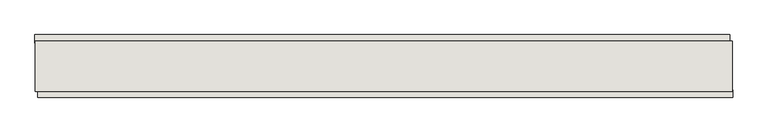
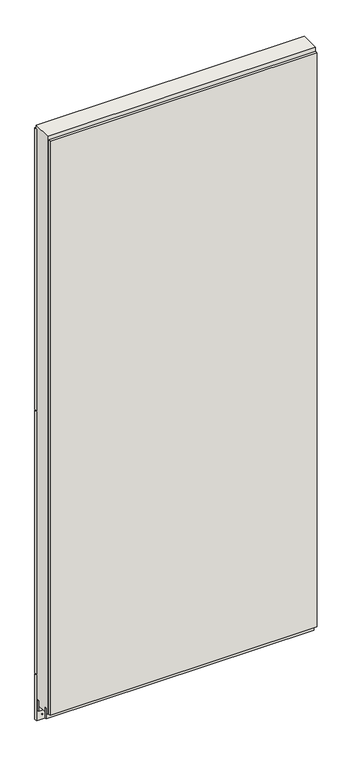
"""IFC4 building model written with IfcOpenShell, lengths in millimetres: wall geometry."""

from ifc_helpers import new_model, si_unit, frame, origin, place, context, project, spatial, polyline, outline, extrude, source, transform, mapped, element, save


def wall_1823d8ab(model_context):
    return source(origin(), model_context, "Body", "SweptSolid", [
        extrude(outline(polyline([(85803.7313132, -51524.0345692), (85806.2713132, -51524.0345692), (85806.2713132, -51526.5745692), (85803.7313132, -51526.5745692), (85803.7313132, -51524.0345692)])), frame((0.0, 0.0, 4419.6), z_axis=(0.0, 0.0, 1.0), x_axis=(1.0, 0.0, 0.0)), (0.0, 0.0, 1.0), 2.54),
        extrude(outline(polyline([(86928.8491925, -51576.1045692), (85808.1916167, -51576.1045692), (85808.1916167, -51563.4045692), (86928.8491925, -51563.4045692), (86928.8491925, -51576.1045692)])), frame((0.0, 0.0, 4445.0), z_axis=(0.0, 0.0, 1.0), x_axis=(1.0, 0.0, 0.0)), (0.0, 0.0, 1.0), 2545.0498756),
        extrude(outline(polyline([(85803.2679029, -51474.5045692), (86923.9254787, -51474.5045692), (86923.9254787, -51487.2045692), (85803.2679029, -51487.2045692), (85803.2679029, -51474.5045692)])), frame((0.0, 0.0, 4573.9999706), z_axis=(0.0, 0.0, 1.0), x_axis=(1.0, 0.0, 0.0)), (0.0, 0.0, 1.0), 1164.400008),
        extrude(outline(polyline([(85803.2679029, -51474.5045692), (86923.9254787, -51474.5045692), (86923.9254787, -51487.2045692), (85803.2679029, -51487.2045692), (85803.2679029, -51474.5045692)])), frame((0.0, 0.0, 5742.4000722), z_axis=(0.0, 0.0, 1.0), x_axis=(1.0, 0.0, 0.0)), (0.0, 0.0, 1.0), 1247.649905),
        extrude(outline(polyline([(85803.2679029, -51474.5045692), (86923.9254787, -51474.5045692), (86923.9254787, -51487.2045692), (85803.2679029, -51487.2045692), (85803.2679029, -51474.5045692)])), frame((0.0, 0.0, 4368.1000014), z_axis=(0.0, 0.0, 1.0), x_axis=(1.0, 0.0, 0.0)), (0.0, 0.0, 1.0), 201.9000026),
        extrude(outline(polyline([(85803.7424892, -51550.3914126), (86928.3746062, -51550.3914126), (86928.3746062, -51555.4732668), (85803.7424892, -51555.4732668), (85803.7424892, -51550.3914126)])), frame((0.0, 0.0, 4418.6602), z_axis=(0.0, 0.0, 1.0), x_axis=(1.0, 0.0, 0.0)), (0.0, 0.0, 1.0), 47.625),
        extrude(outline(polyline([(85803.7424892, -51550.3914126), (86928.3746062, -51550.3914126), (86928.3746062, -51555.4732668), (85803.7424892, -51555.4732668), (85803.7424892, -51550.3914126)])), frame((0.0, 0.0, 4418.6602), z_axis=(0.0, 0.0, 1.0), x_axis=(1.0, 0.0, 0.0)), (0.0, 0.0, 1.0), 47.625),
        extrude(outline(polyline([(86928.3746062, -51500.2270222), (85803.7424892, -51500.2270222), (85803.7424892, -51495.1482668), (86928.3746062, -51495.1482668), (86928.3746062, -51500.2270222)])), frame((0.0, 0.0, 4418.6602), z_axis=(0.0, 0.0, 1.0), x_axis=(1.0, 0.0, 0.0)), (0.0, 0.0, 1.0), 47.625),
        extrude(outline(polyline([(86928.3746062, -51500.2270222), (85803.7424892, -51500.2270222), (85803.7424892, -51495.1482668), (86928.3746062, -51495.1482668), (86928.3746062, -51500.2270222)])), frame((0.0, 0.0, 4418.6602), z_axis=(0.0, 0.0, 1.0), x_axis=(1.0, 0.0, 0.0)), (0.0, 0.0, 1.0), 47.625),
        extrude(outline(polyline([(85803.7424892, -51565.9377366), (85803.7424892, -51484.6558824), (86928.3746062, -51484.6558824), (86928.3746062, -51565.9377366), (85803.7424892, -51565.9377366)])), frame((0.0, 0.0, 4445.0), z_axis=(0.0, 0.0, 1.0), x_axis=(1.0, 0.0, 0.0)), (0.0, 0.0, 1.0), 2562.4536762),
    ])


if __name__ == "__main__":
    model = new_model("IFC4")
    model_context = context("Model", 3, world=origin())
    ifc_project = project(units=[si_unit("LENGTHUNIT", "METRE", prefix="MILLI")], contexts=[model_context])
    site = spatial("IfcSite", under=ifc_project)
    building = spatial("IfcBuilding", under=site)
    placement = place(None, origin())
    wall_shape = wall_1823d8ab(model_context)
    element("IfcWall", 1, at=placement, inside=building, context=model_context, shape_type="MappedRepresentation", body=[
        mapped(wall_shape, transform((0.0, 0.0, 0.0), x_axis=(1.0, 0.0, 0.0), y_axis=(0.0, 1.0, 0.0), z_axis=(0.0, 0.0, 1.0))),
    ])
    save(model, "model.ifc")
